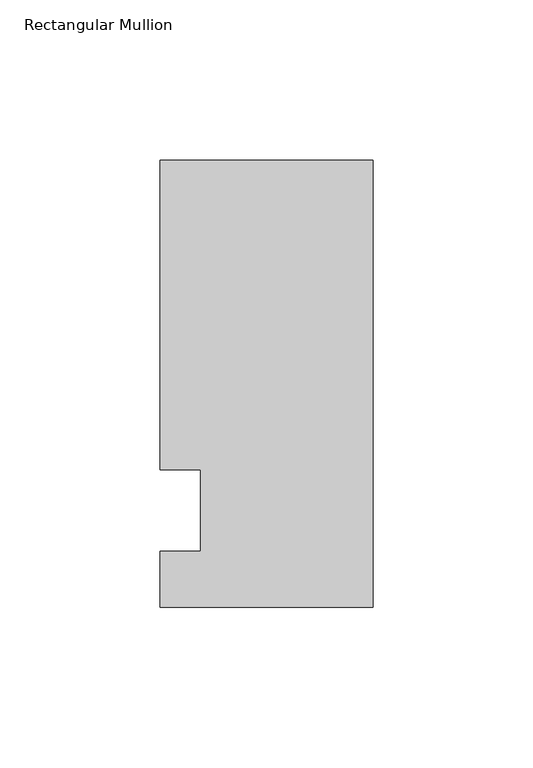
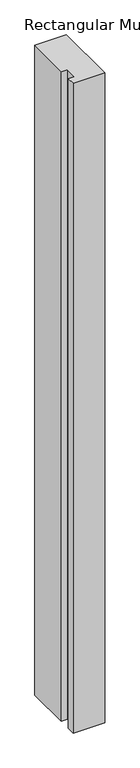
"""IFC4 building model written with IfcOpenShell, lengths in millimetres: member geometry, Rectangular Mullion."""

from ifc_helpers import new_model, si_unit, frame, origin, place, context, project, spatial, polyline, outline, extrude, source, transform, mapped, element, save


def rectangular_mullion_aa8e064e(model_context):
    return source(origin(), model_context, "Body", "SweptSolid", [
        extrude(outline(polyline([(-66.675, 109.5375), (0.0, 109.5375), (0.0, -30.1625), (-66.675, -30.1625), (-66.675, -12.7), (-53.9732296, -12.7), (-53.9732296, 12.7), (-66.675, 12.7), (-66.675, 109.5375)])), frame((0.0, 0.0, -1449.9166667), z_axis=(0.0, 0.0, 1.0), x_axis=(1.0, 0.0, 0.0)), (0.0, 0.0, 1.0), 1449.9166667),
    ])


if __name__ == "__main__":
    model = new_model("IFC4")
    model_context = context("Model", 3, world=origin())
    ifc_project = project(units=[si_unit("LENGTHUNIT", "METRE", prefix="MILLI")], contexts=[model_context])
    site = spatial("IfcSite", under=ifc_project)
    building = spatial("IfcBuilding", under=site)
    placement = place(None, origin())
    rectangular_mullion_shape = rectangular_mullion_aa8e064e(model_context)
    element("IfcMember", 1, ObjectType="Rectangular Mullion", at=placement, inside=building, context=model_context, shape_type="MappedRepresentation", body=[
        mapped(rectangular_mullion_shape, transform((0.0, 0.0, 0.0), x_axis=(1.0, 0.0, 0.0), y_axis=(0.0, 1.0, 0.0), z_axis=(0.0, 0.0, 1.0))),
    ])
    save(model, "model.ifc")
